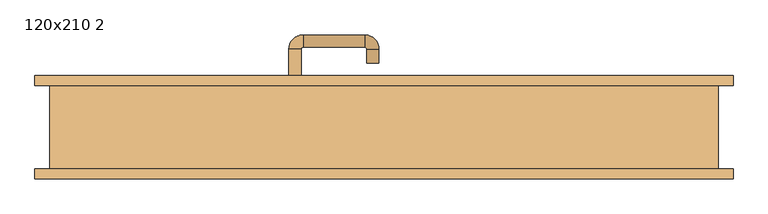
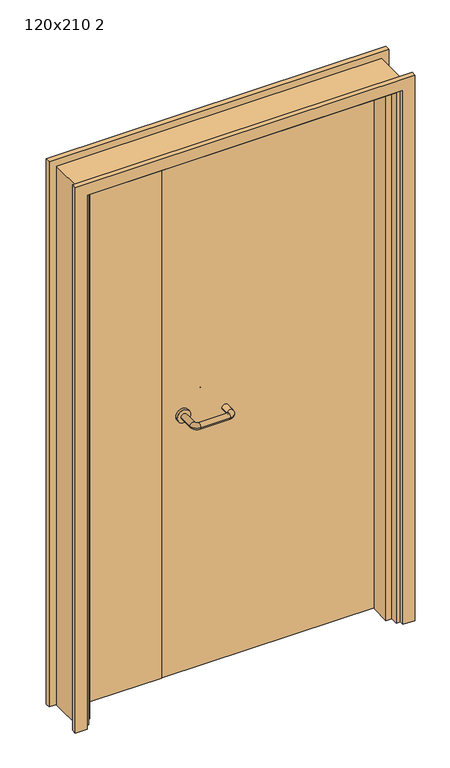
"""IFC4 building model written with IfcOpenShell, lengths in millimetres: door geometry, 120x210 2."""

from ifc_helpers import new_model, si_unit, point, frame, frame_2d, origin, place, context, project, spatial, polyline, circle_curve, ellipse_curve, trimmed, segment, composite_curve, outline, extrude, faceted_brep, source, transform, mapped, element, save
from ifc_brep_helpers import plane_surface, cylinder_surface, revolved_surface, advanced_brep


def door_120x210_2_dca0df38(model_context):
    return source(origin(), model_context, "Body", "SolidModel", [
        faceted_brep([(547.0, -47.0, 0.0), (547.0, 28.0, 0.0), (568.0, 28.0, 0.0), (568.0, -47.0, 0.0), (547.0, -47.0, 2047.0), (547.0, 28.0, 2047.0), (568.0, 28.0, 2068.0), (568.0, -47.0, 2068.0), (-547.0, -47.0, 0.0), (-568.0, -47.0, 0.0), (-568.0, 28.0, 0.0), (-547.0, 28.0, 0.0), (-547.0, -47.0, 2047.0), (-568.0, -47.0, 2068.0), (-568.0, 28.0, 2068.0), (-547.0, 28.0, 2047.0)], [[[0, 1, 2, 3]], [[1, 0, 4, 5]], [[2, 1, 5, 6]], [[3, 2, 6, 7]], [[0, 3, 7, 4]], [[8, 9, 10, 11]], [[12, 13, 9, 8]], [[13, 14, 10, 9]], [[14, 15, 11, 10]], [[15, 12, 8, 11]], [[5, 4, 12, 15]], [[6, 5, 15, 14]], [[7, 6, 14, 13]], [[4, 7, 13, 12]]]),
        extrude(outline(polyline([(2127.0, 627.0), (2127.0, -627.0), (0.0, -627.0), (0.0, -583.0), (2083.0, -583.0), (2083.0, 583.0), (0.0, 583.0), (0.0, 627.0), (2127.0, 627.0)])), frame((0.0, 75.0, 0.0), z_axis=(0.0, 1.0, 0.0), x_axis=(0.0, 0.0, 1.0)), (0.0, 0.0, 1.0), 18.0),
        extrude(outline(polyline([(2127.0, -627.0), (0.0, -627.0), (0.0, -583.0), (2083.0, -583.0), (2083.0, 583.0), (0.0, 583.0), (0.0, 627.0), (2127.0, 627.0), (2127.0, -627.0)])), frame((0.0, -93.0, 0.0), z_axis=(0.0, 1.0, 0.0), x_axis=(0.0, 0.0, 1.0)), (0.0, 0.0, 1.0), 18.0),
        extrude(outline(polyline([(2100.0, -600.0), (0.0, -600.0), (0.0, -568.0), (2068.0, -568.0), (2068.0, 568.0), (0.0, 568.0), (0.0, 600.0), (2100.0, 600.0), (2100.0, -600.0)])), frame((0.0, -75.0, 0.0), z_axis=(0.0, 1.0, 0.0), x_axis=(0.0, 0.0, 1.0)), (0.0, 0.0, 1.0), 150.0),
        advanced_brep(
        [(-171.0, 20.8874183, 1003.0), (-149.0, 20.8874183, 1003.0), (-171.0, -33.9968061, 1003.0), (-149.0, -33.9968061, 1003.0), (-145.0, -37.9968061, 1003.0), (-145.0, -59.9968061, 1003.0), (-35.0, -59.9968061, 1003.0), (-35.0, -37.9968061, 1003.0), (-31.0, -33.9968061, 1003.0), (-9.0, -33.9968061, 1003.0), (-9.0, 0.0, 1003.0), (-31.0, 0.0, 1003.0)],
        [
            (0, 1, circle_curve(frame((-160.0, 20.8874183, 1003.0), z_axis=(0.0, 1.0, 0.0), x_axis=(1.0, 0.0, 0.0)), 11.0)),
            (1, 0, circle_curve(frame((-160.0, 20.8874183, 1003.0), z_axis=(0.0, 1.0, 0.0), x_axis=(1.0, 0.0, 0.0)), 11.0)),
            (0, 2),
            (2, 3, circle_curve(frame((-160.0, -33.9968061, 1003.0), z_axis=(0.0, 1.0, 0.0), x_axis=(1.0, 0.0, 0.0)), 11.0)),
            (3, 1),
            (3, 2, circle_curve(frame((-160.0, -33.9968061, 1003.0), z_axis=(0.0, 1.0, 0.0), x_axis=(1.0, 0.0, 0.0)), 11.0)),
            (4, 3, circle_curve(frame((-145.0, -33.9968061, 1003.0), z_axis=(0.0, 0.0, -1.0), x_axis=(-1.0, 0.0, 0.0)), 4.0)),
            (2, 5, circle_curve(frame((-145.0, -33.9968061, 1003.0), z_axis=(0.0, 0.0, 1.0), x_axis=(-1.0, 0.0, 0.0)), 26.0)),
            (5, 4, circle_curve(frame((-145.0, -48.9968061, 1003.0), z_axis=(-1.0, 0.0, 0.0), x_axis=(0.0, 1.0, 0.0)), 11.0)),
            (4, 5, circle_curve(frame((-145.0, -48.9968061, 1003.0), z_axis=(-1.0, 0.0, 0.0), x_axis=(0.0, 1.0, 0.0)), 11.0)),
            (5, 6),
            (6, 7, circle_curve(frame((-35.0, -48.9968061, 1003.0), z_axis=(-1.0, 0.0, 0.0), x_axis=(0.0, 1.0, 0.0)), 11.0)),
            (7, 4),
            (7, 6, circle_curve(frame((-35.0, -48.9968061, 1003.0), z_axis=(-1.0, 0.0, 0.0), x_axis=(0.0, 1.0, 0.0)), 11.0)),
            (8, 7, circle_curve(frame((-35.0, -33.9968061, 1003.0), z_axis=(0.0, 0.0, -1.0), x_axis=(0.0, -1.0, 0.0)), 4.0)),
            (6, 9, circle_curve(frame((-35.0, -33.9968061, 1003.0), z_axis=(0.0, 0.0, 1.0), x_axis=(0.0, -1.0, 0.0)), 26.0)),
            (9, 8, circle_curve(frame((-20.0, -33.9968061, 1003.0), z_axis=(0.0, -1.0, 0.0), x_axis=(-1.0, 0.0, 0.0)), 11.0)),
            (8, 9, circle_curve(frame((-20.0, -33.9968061, 1003.0), z_axis=(0.0, -1.0, 0.0), x_axis=(-1.0, 0.0, 0.0)), 11.0)),
            (10, 11, circle_curve(frame((-20.0, 0.0, 1003.0), z_axis=(0.0, 1.0, 0.0), x_axis=(-1.0, 0.0, 0.0)), 11.0)),
            (11, 10, circle_curve(frame((-20.0, 0.0, 1003.0), z_axis=(0.0, 1.0, 0.0), x_axis=(-1.0, 0.0, 0.0)), 11.0)),
            (9, 10),
            (11, 8),
        ],
        [
            plane_surface(frame((-171.0, 20.8874183, 1003.0), z_axis=(0.0, 1.0, 0.0), x_axis=(0.0, 0.0, -1.0))),
            cylinder_surface(frame((-160.0, 20.8874183, 1003.0), z_axis=(0.0, 1.0, 0.0), x_axis=(1.0, 0.0, 0.0)), 11.0),
            revolved_surface(trimmed(ellipse_curve(frame((-160.0, -33.9968061, 1003.0), z_axis=(0.0, 1.0, 0.0), x_axis=(1.0, 0.0, 0.0)), 11.0, 11.0), [point((-171.0, -33.9968061, 1003.0))], [point((-149.0, -33.9968061, 1003.0))], True, "CARTESIAN"), (-145.0, -33.9968061, 1003.0), (0.0, 0.0, 1.0)),
            revolved_surface(trimmed(ellipse_curve(frame((-160.0, -33.9968061, 1003.0), z_axis=(0.0, 1.0, 0.0), x_axis=(1.0, 0.0, 0.0)), 11.0, 11.0), [point((-149.0, -33.9968061, 1003.0))], [point((-171.0, -33.9968061, 1003.0))], True, "CARTESIAN"), (-145.0, -33.9968061, 1003.0), (0.0, 0.0, 1.0)),
            cylinder_surface(frame((-145.0, -48.9968061, 1003.0), z_axis=(-1.0, 0.0, 0.0), x_axis=(0.0, 1.0, 0.0)), 11.0),
            revolved_surface(trimmed(ellipse_curve(frame((-35.0, -48.9968061, 1003.0), z_axis=(-1.0, 0.0, 0.0), x_axis=(0.0, 1.0, 0.0)), 11.0, 11.0), [point((-35.0, -59.9968061, 1003.0))], [point((-35.0, -37.9968061, 1003.0))], True, "CARTESIAN"), (-35.0, -33.9968061, 1003.0), (0.0, 0.0, 1.0)),
            revolved_surface(trimmed(ellipse_curve(frame((-35.0, -48.9968061, 1003.0), z_axis=(-1.0, 0.0, 0.0), x_axis=(0.0, 1.0, 0.0)), 11.0, 11.0), [point((-35.0, -37.9968061, 1003.0))], [point((-35.0, -59.9968061, 1003.0))], True, "CARTESIAN"), (-35.0, -33.9968061, 1003.0), (0.0, 0.0, 1.0)),
            plane_surface(frame((-31.0, 0.0, 1003.0), z_axis=(0.0, 1.0, 0.0), x_axis=(0.0, 0.0, 1.0))),
            cylinder_surface(frame((-20.0, -33.9968061, 1003.0), z_axis=(0.0, -1.0, 0.0), x_axis=(-1.0, 0.0, 0.0)), 11.0),
        ],
        [
            (0, [[1, 2]]),
            (1, [[-1, 3, 4, 5]]),
            (1, [[-2, -5, 6, -3]]),
            (2, [[7, -4, 8, 9]]),
            (3, [[-8, -6, -7, 10]]),
            (4, [[-9, 11, 12, 13]]),
            (4, [[-10, -13, 14, -11]]),
            (5, [[15, -12, 16, 17]]),
            (6, [[-16, -14, -15, 18]]),
            (7, [[19, 20]]),
            (8, [[-17, 21, -20, 22]]),
            (8, [[-18, -22, -19, -21]]),
        ],
    ),
        extrude(outline(composite_curve([segment(trimmed(circle_curve(frame_2d((1003.0, -160.0)), 25.0), [point((1003.0, -185.0))], [point((1003.0, -135.0))], False, "CARTESIAN"), True, "CONTINUOUS"), segment(trimmed(circle_curve(frame_2d((1003.0, -160.0)), 25.0), [point((1003.0, -135.0))], [point((1003.0, -185.0))], False, "CARTESIAN"), True, "CONTINUOUS")], self_intersect=False)), frame((0.0, 20.8874183, 0.0), z_axis=(0.0, 1.0, 0.0), x_axis=(0.0, 0.0, 1.0)), (0.0, 0.0, 1.0), 10.1125817),
        advanced_brep(
        [(-149.0, 85.0, 1003.0), (-171.0, 85.0, 1003.0), (-149.0, 140.0, 1003.0), (-171.0, 140.0, 1003.0), (-145.0, 166.0, 1003.0), (-145.0, 144.0, 1003.0), (-35.0, 144.0, 1003.0), (-35.0, 166.0, 1003.0), (-9.0, 140.0, 1003.0), (-31.0, 140.0, 1003.0), (-31.0, 115.0, 1003.0), (-9.0, 115.0, 1003.0)],
        [
            (0, 1, circle_curve(frame((-160.0, 85.0, 1003.0), z_axis=(0.0, -1.0, 0.0), x_axis=(-1.0, 0.0, 0.0)), 11.0)),
            (1, 0, circle_curve(frame((-160.0, 85.0, 1003.0), z_axis=(0.0, -1.0, 0.0), x_axis=(-1.0, 0.0, 0.0)), 11.0)),
            (0, 2),
            (2, 3, circle_curve(frame((-160.0, 140.0, 1003.0), z_axis=(0.0, -1.0, 0.0), x_axis=(-1.0, 0.0, 0.0)), 11.0)),
            (3, 1),
            (3, 2, circle_curve(frame((-160.0, 140.0, 1003.0), z_axis=(0.0, -1.0, 0.0), x_axis=(-1.0, 0.0, 0.0)), 11.0)),
            (4, 3, circle_curve(frame((-145.0, 140.0, 1003.0), z_axis=(0.0, 0.0, 1.0), x_axis=(-1.0, 0.0, 0.0)), 26.0)),
            (2, 5, circle_curve(frame((-145.0, 140.0, 1003.0), z_axis=(0.0, 0.0, -1.0), x_axis=(-1.0, 0.0, 0.0)), 4.0)),
            (5, 4, circle_curve(frame((-145.0, 155.0, 1003.0), z_axis=(-1.0, 0.0, 0.0), x_axis=(0.0, 1.0, 0.0)), 11.0)),
            (4, 5, circle_curve(frame((-145.0, 155.0, 1003.0), z_axis=(-1.0, 0.0, 0.0), x_axis=(0.0, 1.0, 0.0)), 11.0)),
            (5, 6),
            (6, 7, circle_curve(frame((-35.0, 155.0, 1003.0), z_axis=(-1.0, 0.0, 0.0), x_axis=(0.0, 1.0, 0.0)), 11.0)),
            (7, 4),
            (7, 6, circle_curve(frame((-35.0, 155.0, 1003.0), z_axis=(-1.0, 0.0, 0.0), x_axis=(0.0, 1.0, 0.0)), 11.0)),
            (8, 7, circle_curve(frame((-35.0, 140.0, 1003.0), z_axis=(0.0, 0.0, 1.0), x_axis=(0.0, 1.0, 0.0)), 26.0)),
            (6, 9, circle_curve(frame((-35.0, 140.0, 1003.0), z_axis=(0.0, 0.0, -1.0), x_axis=(0.0, 1.0, 0.0)), 4.0)),
            (9, 8, circle_curve(frame((-20.0, 140.0, 1003.0), z_axis=(0.0, 1.0, 0.0), x_axis=(1.0, 0.0, 0.0)), 11.0)),
            (8, 9, circle_curve(frame((-20.0, 140.0, 1003.0), z_axis=(0.0, 1.0, 0.0), x_axis=(1.0, 0.0, 0.0)), 11.0)),
            (10, 11, circle_curve(frame((-20.0, 115.0, 1003.0), z_axis=(0.0, -1.0, 0.0), x_axis=(1.0, 0.0, 0.0)), 11.0)),
            (11, 10, circle_curve(frame((-20.0, 115.0, 1003.0), z_axis=(0.0, -1.0, 0.0), x_axis=(1.0, 0.0, 0.0)), 11.0)),
            (9, 10),
            (11, 8),
        ],
        [
            plane_surface(frame((-171.0, 85.0, 1003.0), z_axis=(0.0, -1.0, 0.0), x_axis=(0.0, 0.0, 1.0))),
            cylinder_surface(frame((-160.0, 85.0, 1003.0), z_axis=(0.0, -1.0, 0.0), x_axis=(-1.0, 0.0, 0.0)), 11.0),
            revolved_surface(trimmed(ellipse_curve(frame((-160.0, 140.0, 1003.0), z_axis=(0.0, -1.0, 0.0), x_axis=(-1.0, 0.0, 0.0)), 11.0, 11.0), [point((-149.0, 140.0, 1003.0))], [point((-171.0, 140.0, 1003.0))], True, "CARTESIAN"), (-145.0, 140.0, 1003.0), (0.0, 0.0, -1.0)),
            revolved_surface(trimmed(ellipse_curve(frame((-160.0, 140.0, 1003.0), z_axis=(0.0, -1.0, 0.0), x_axis=(-1.0, 0.0, 0.0)), 11.0, 11.0), [point((-171.0, 140.0, 1003.0))], [point((-149.0, 140.0, 1003.0))], True, "CARTESIAN"), (-145.0, 140.0, 1003.0), (0.0, 0.0, -1.0)),
            cylinder_surface(frame((-145.0, 155.0, 1003.0), z_axis=(-1.0, 0.0, 0.0), x_axis=(0.0, 1.0, 0.0)), 11.0),
            revolved_surface(trimmed(ellipse_curve(frame((-35.0, 155.0, 1003.0), z_axis=(-1.0, 0.0, 0.0), x_axis=(0.0, 1.0, 0.0)), 11.0, 11.0), [point((-35.0, 144.0, 1003.0))], [point((-35.0, 166.0, 1003.0))], True, "CARTESIAN"), (-35.0, 140.0, 1003.0), (0.0, 0.0, -1.0)),
            revolved_surface(trimmed(ellipse_curve(frame((-35.0, 155.0, 1003.0), z_axis=(-1.0, 0.0, 0.0), x_axis=(0.0, 1.0, 0.0)), 11.0, 11.0), [point((-35.0, 166.0, 1003.0))], [point((-35.0, 144.0, 1003.0))], True, "CARTESIAN"), (-35.0, 140.0, 1003.0), (0.0, 0.0, -1.0)),
            plane_surface(frame((-31.0, 115.0, 1003.0), z_axis=(0.0, -1.0, 0.0), x_axis=(0.0, 0.0, -1.0))),
            cylinder_surface(frame((-20.0, 140.0, 1003.0), z_axis=(0.0, 1.0, 0.0), x_axis=(1.0, 0.0, 0.0)), 11.0),
        ],
        [
            (0, [[1, 2]]),
            (1, [[-1, 3, 4, 5]]),
            (1, [[-2, -5, 6, -3]]),
            (2, [[7, -4, 8, 9]]),
            (3, [[-8, -6, -7, 10]]),
            (4, [[-9, 11, 12, 13]]),
            (4, [[-10, -13, 14, -11]]),
            (5, [[15, -12, 16, 17]]),
            (6, [[-16, -14, -15, 18]]),
            (7, [[19, 20]]),
            (8, [[-17, 21, -20, 22]]),
            (8, [[-18, -22, -19, -21]]),
        ],
    ),
        extrude(outline(composite_curve([segment(trimmed(circle_curve(frame_2d((1003.0, -160.0)), 25.0), [point((1003.0, -135.0))], [point((1003.0, -185.0))], False, "CARTESIAN"), True, "CONTINUOUS"), segment(trimmed(circle_curve(frame_2d((1003.0, -160.0)), 25.0), [point((1003.0, -185.0))], [point((1003.0, -135.0))], False, "CARTESIAN"), True, "CONTINUOUS")], self_intersect=False)), frame((0.0, 75.0, 0.0), z_axis=(0.0, 1.0, 0.0), x_axis=(0.0, 0.0, 1.0)), (0.0, 0.0, 1.0), 10.0),
        extrude(outline(polyline([(-236.99898, 31.0), (-565.0, 31.0), (-565.0, 75.0), (-236.99898, 75.0), (-236.99898, 31.0)])), frame((0.0, 0.0, 3.0), z_axis=(0.0, 0.0, 1.0), x_axis=(1.0, 0.0, 0.0)), (0.0, 0.0, 1.0), 2062.0),
        extrude(outline(polyline([(565.0, 31.0), (-235.0, 31.0), (-235.0, 75.0), (565.0, 75.0), (565.0, 31.0)])), frame((0.0, 0.0, 3.0), z_axis=(0.0, 0.0, 1.0), x_axis=(1.0, 0.0, 0.0)), (0.0, 0.0, 1.0), 2062.0),
    ])


if __name__ == "__main__":
    model = new_model("IFC4")
    model_context = context("Model", 3, world=origin())
    ifc_project = project(units=[si_unit("LENGTHUNIT", "METRE", prefix="MILLI")], contexts=[model_context])
    site = spatial("IfcSite", under=ifc_project)
    building = spatial("IfcBuilding", under=site)
    placement = place(None, origin())
    door_120x210_2_shape = door_120x210_2_dca0df38(model_context)
    element("IfcDoor", 1, ObjectType="120x210 2", at=placement, inside=building, context=model_context, shape_type="MappedRepresentation", body=[
        mapped(door_120x210_2_shape, transform((0.0, 0.0, 0.0), x_axis=(1.0, 0.0, 0.0), y_axis=(0.0, 1.0, 0.0), z_axis=(0.0, 0.0, 1.0))),
    ])
    save(model, "model.ifc")
